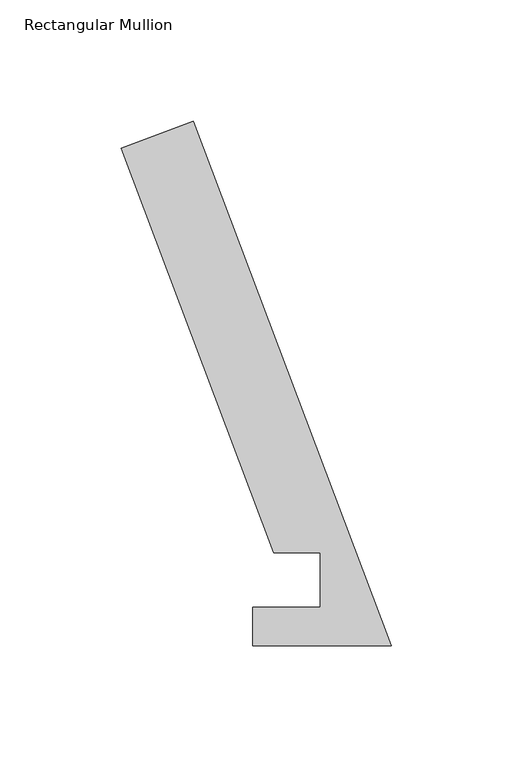
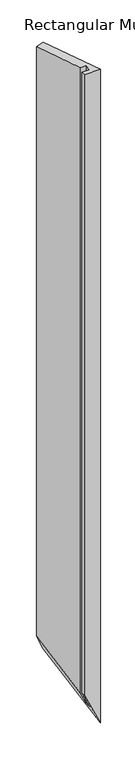
"""IFC4 building model written with IfcOpenShell, lengths in millimetres: member geometry, Rectangular Mullion."""

from ifc_helpers import new_model, si_unit, origin, place, context, project, spatial, faceted_brep, source, transform, mapped, element, save


def rectangular_mullion_5f8f6147(model_context):
    return source(origin(), model_context, "Body", "Brep", [
        faceted_brep([(-48.4216661, 38.2984375, 0.0), (-111.4156088, 205.0070695, 0.0), (-111.4156088, 205.0070695, -2242.5993381), (-48.4216661, 38.2984375, -2380.4868459), (-29.3735907, 38.2984375, 0.0), (-29.3735907, 38.2984375, -2422.1811984), (-29.3735907, 15.8114626, 0.0), (-29.3735907, 15.8114626, -2422.1811984), (-57.277, 15.8114626, 0.0), (-57.277, 15.8114626, -2361.1033962), (-57.277, -0.0635374, 0.0), (-57.277, -0.0635374, -2361.1033962), (0.0, -0.0635374, 0.0), (0.0, -0.0635374, -2486.4770821), (-81.7285764, 216.2248642, 0.0), (-81.7285764, 216.2248642, -2307.5813146)], [[[0, 1, 2, 3]], [[4, 0, 3, 5]], [[6, 4, 5, 7]], [[8, 6, 7, 9]], [[10, 8, 9, 11]], [[12, 10, 11, 13]], [[14, 12, 13, 15]], [[1, 14, 15, 2]], [[1, 0, 4, 6, 8, 10, 12, 14]], [[2, 15, 13, 11, 9, 7, 5, 3]]]),
    ])


if __name__ == "__main__":
    model = new_model("IFC4")
    model_context = context("Model", 3, world=origin())
    ifc_project = project(units=[si_unit("LENGTHUNIT", "METRE", prefix="MILLI")], contexts=[model_context])
    site = spatial("IfcSite", under=ifc_project)
    building = spatial("IfcBuilding", under=site)
    placement = place(None, origin())
    rectangular_mullion_shape = rectangular_mullion_5f8f6147(model_context)
    element("IfcMember", 1, ObjectType="Rectangular Mullion", at=placement, inside=building, context=model_context, shape_type="MappedRepresentation", body=[
        mapped(rectangular_mullion_shape, transform((0.0, 0.0, 0.0), x_axis=(1.0, 0.0, 0.0), y_axis=(0.0, 1.0, 0.0), z_axis=(0.0, 0.0, 1.0))),
    ])
    save(model, "model.ifc")
